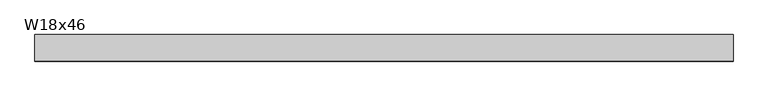
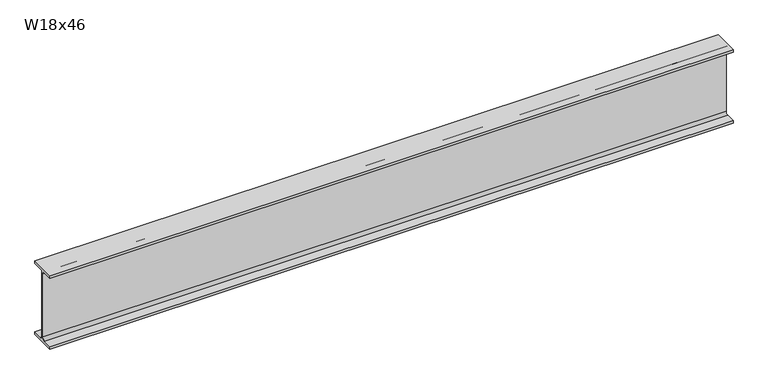
"""IFC4 building model written with IfcOpenShell, lengths in millimetres: beam geometry, W18x46."""

from ifc_helpers import new_model, si_unit, point, frame, frame_2d, origin, place, context, project, spatial, polyline, circle_curve, trimmed, segment, composite_curve, outline, extrude, source, transform, mapped, element, save


def w18x46_856ee223(model_context):
    return source(origin(), model_context, "Body", "SweptSolid", [
        extrude(outline(composite_curve([segment(polyline([(76.962, -214.503), (76.962, -229.87), (-76.962, -229.87), (-76.962, -214.503), (-20.955, -214.503)]), True, "CONTINUOUS"), segment(trimmed(circle_curve(frame_2d((-20.955, -198.12)), 16.383), [point((-20.955, -214.503))], [point((-4.572, -198.12))], True, "CARTESIAN"), True, "CONTINUOUS"), segment(polyline([(-4.572, -198.12), (-4.572, 198.12)]), True, "CONTINUOUS"), segment(trimmed(circle_curve(frame_2d((-20.955, 198.12)), 16.383), [point((-4.572, 198.12))], [point((-20.955, 214.503))], True, "CARTESIAN"), True, "CONTINUOUS"), segment(polyline([(-20.955, 214.503), (-76.962, 214.503), (-76.962, 229.87), (76.962, 229.87), (76.962, 214.503), (20.955, 214.503)]), True, "CONTINUOUS"), segment(trimmed(circle_curve(frame_2d((20.955, 198.12)), 16.383), [point((20.955, 214.503))], [point((4.572, 198.12))], True, "CARTESIAN"), True, "CONTINUOUS"), segment(polyline([(4.572, 198.12), (4.572, -198.12)]), True, "CONTINUOUS"), segment(trimmed(circle_curve(frame_2d((20.955, -198.12)), 16.383), [point((4.572, -198.12))], [point((20.955, -214.503))], True, "CARTESIAN"), True, "CONTINUOUS"), segment(polyline([(20.955, -214.503), (76.962, -214.503)]), True, "CONTINUOUS")], self_intersect=False)), frame((-1947.002633, 0.0, 0.0), z_axis=(1.0, 0.0, 0.0), x_axis=(0.0, 1.0, 0.0)), (0.0, 0.0, 1.0), 4042.2647956),
    ])


if __name__ == "__main__":
    model = new_model("IFC4")
    model_context = context("Model", 3, world=origin())
    ifc_project = project(units=[si_unit("LENGTHUNIT", "METRE", prefix="MILLI")], contexts=[model_context])
    site = spatial("IfcSite", under=ifc_project)
    building = spatial("IfcBuilding", under=site)
    placement = place(None, origin())
    w18x46_shape = w18x46_856ee223(model_context)
    element("IfcBeam", 1, ObjectType="W18x46", at=placement, inside=building, context=model_context, shape_type="MappedRepresentation", body=[
        mapped(w18x46_shape, transform((0.0, 0.0, 0.0), x_axis=(1.0, 0.0, 0.0), y_axis=(0.0, 1.0, 0.0), z_axis=(0.0, 0.0, 1.0))),
    ])
    save(model, "model.ifc")
